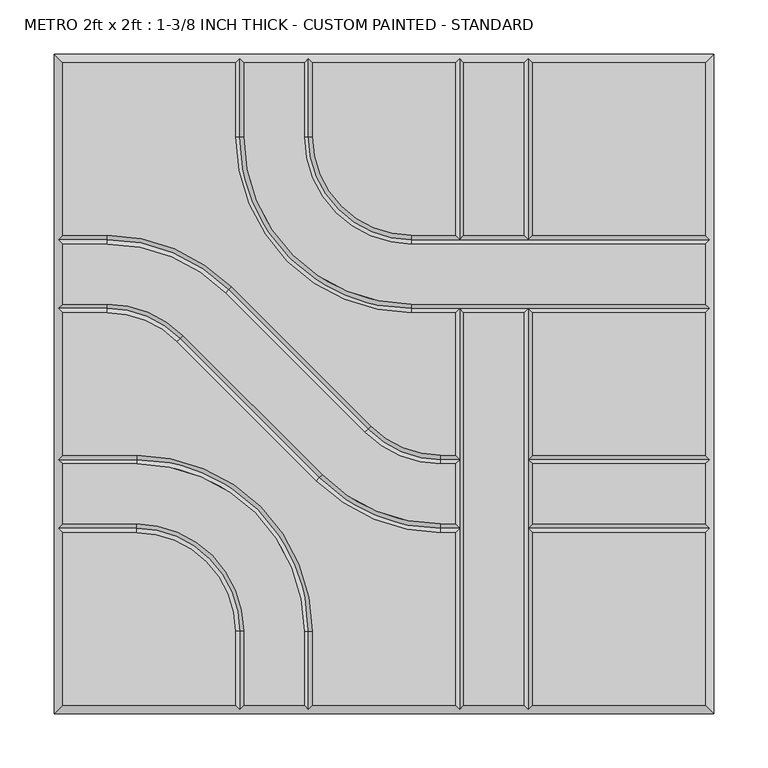
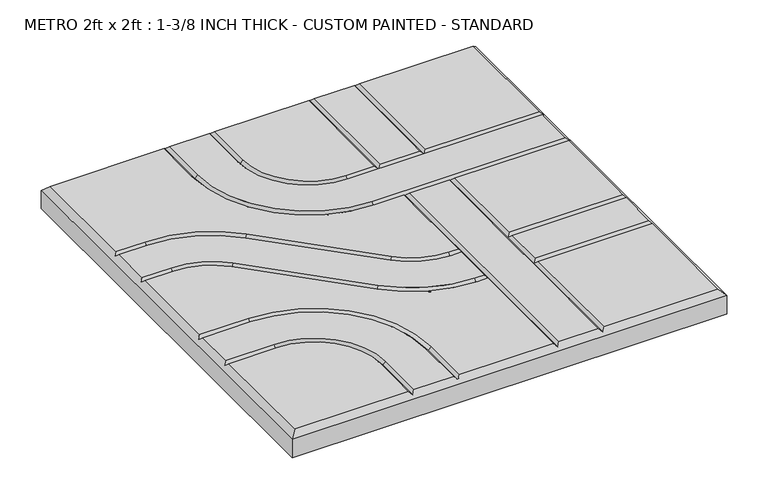
"""IFC4 building model written with IfcOpenShell, lengths in millimetres: proxy geometry, METRO 2ft x 2ft : 1-3/8 INCH THICK - CUSTOM PAINTED - STANDARD."""

from ifc_helpers import new_model, si_unit, frame, origin, place, context, project, spatial, polyline, circle_curve, source, transform, mapped, element, save
from ifc_brep_helpers import plane_surface, revolved_surface, advanced_brep


def metro_2ft_x_2ft_1_3_8_inch_thick_custom_painted_standard_177d9f46(model_context):
    return source(origin(), model_context, "Body", "AdvancedBrep", [
        advanced_brep(
        [(-296.799, 296.799, 34.925), (-296.799, 137.3505125, 34.925), (-255.8081898, 137.3505125, 34.925), (-140.7286116, 89.6843987, 34.925), (-11.9143433, -39.124488, 34.925), (52.607449, -65.8495, 34.925), (65.8495, -65.8495, 34.925), (65.8495, 65.8494982, 34.925), (25.3995376, 65.8494982, 34.925), (-137.3509624, 228.5999982, 34.925), (-137.3509624, 296.799, 34.925), (296.799, 137.3504983, 34.925), (296.799, 296.799, 34.925), (137.3504989, 296.799, 34.925), (137.3504989, 137.3504983, 34.925), (-296.799, -137.3504992, 34.925), (-296.799, -296.799, 34.925), (-137.3505299, -296.799, 34.925), (-137.3505299, -228.5999992, 34.925), (-228.6000299, -137.3504992, 34.925), (137.3505, -296.799, 34.925), (296.799, -296.799, 34.925), (296.799, -137.3505, 34.925), (137.3505, -137.3505, 34.925), (52.607449, -73.8505, 34.925), (-17.5717865, -44.7821676, 34.925), (-146.3860548, 84.0267191, 34.925), (-255.8081898, 129.3495125, 34.925), (-296.799, 129.3495125, 34.925), (-296.799, 73.8505125, 34.925), (-255.8074396, 73.8505125, 34.925), (-185.6278585, 44.7818346, 34.925), (-56.8157432, -84.0261678, 34.925), (52.6069307, -129.3495, 34.925), (65.8495, -129.3495, 34.925), (65.8495, -73.8505, 34.925), (52.6069307, -137.3505, 34.925), (-62.4732142, -89.6838195, 34.925), (-191.2853295, 39.1241829, 34.925), (-255.8074396, 65.8495125, 34.925), (-296.799, 65.8495125, 34.925), (-296.799, -65.8494992, 34.925), (-228.6000171, -65.8494992, 34.925), (-65.8495171, -228.5999992, 34.925), (-65.8495171, -296.799, 34.925), (65.8495, -296.799, 34.925), (65.8495, -137.3505, 34.925), (-129.3495299, -228.5999992, 34.925), (-129.3495299, -296.799, 34.925), (-73.8505171, -296.799, 34.925), (-73.8505171, -228.5999992, 34.925), (-228.6000171, -73.8504992, 34.925), (-296.799, -73.8504992, 34.925), (-296.799, -129.3494992, 34.925), (-228.6000299, -129.3494992, 34.925), (-129.3499624, 296.799, 34.925), (-129.3499624, 228.5999982, 34.925), (25.3995376, 73.8504982, 34.925), (296.799, 73.8504982, 34.925), (296.799, 129.3494983, 34.925), (25.3995504, 129.3494983, 34.925), (-73.8509496, 228.5999983, 34.925), (-73.8509496, 296.799, 34.925), (-65.8499496, 296.799, 34.925), (-65.8499496, 228.5999983, 34.925), (25.3995504, 137.3504983, 34.925), (65.8494989, 137.3504983, 34.925), (65.8494989, 296.799, 34.925), (73.8504989, 296.799, 34.925), (73.8504989, 137.3504983, 34.925), (129.3494989, 137.3504983, 34.925), (129.3494989, 296.799, 34.925), (73.8505, 65.8494982, 34.925), (73.8505, -296.799, 34.925), (129.3495, -296.799, 34.925), (129.3495, 65.8494982, 34.925), (296.799, 65.8494982, 34.925), (137.3505, 65.8494982, 34.925), (137.3505, -65.8495, 34.925), (296.799, -65.8495, 34.925), (137.3505, -129.3495, 34.925), (296.799, -129.3495, 34.925), (296.799, -73.8505, 34.925), (137.3505, -73.8505, 34.925), (-304.8, 304.8, 0.0), (304.8, 304.8, 0.0), (304.8, -304.8, 0.0), (-304.8, -304.8, 0.0), (-304.8, -304.8, 26.924), (-304.8, 304.8, 26.924), (304.8, -304.8, 26.924), (304.8, 304.8, 26.924), (-133.3504624, 300.7995, 30.9245), (-69.8504496, 300.7995, 30.9245), (69.8499989, 300.7995, 30.9245), (133.3499989, 300.7995, 30.9245), (-300.7995, -133.3499992, 30.9245), (-300.7995, -69.8499992, 30.9245), (-300.7995, 69.8500125, 30.9245), (-300.7995, 133.3500125, 30.9245), (133.35, -300.7995, 30.9245), (69.85, -300.7995, 30.9245), (-69.8500171, -300.7995, 30.9245), (-133.3500299, -300.7995, 30.9245), (300.7995, 133.3499983, 30.9245), (300.7995, 69.8499982, 30.9245), (300.7995, -69.85, 30.9245), (300.7995, -133.35, 30.9245), (69.85, -69.85, 30.9245), (52.607449, -69.85, 30.9245), (-14.7430649, -41.9533278, 30.9245), (-143.5573332, 86.8555589, 30.9245), (-255.8081898, 133.3500125, 30.9245), (69.85, -133.35, 30.9245), (52.6069307, -133.35, 30.9245), (-59.6444787, -86.8549936, 30.9245), (-188.456594, 41.9530087, 30.9245), (-255.8074396, 69.8500125, 30.9245), (-133.3500299, -228.5999992, 30.9245), (-228.6000299, -133.3499992, 30.9245), (-228.6000171, -69.8499992, 30.9245), (-69.8500171, -228.5999992, 30.9245), (-133.3504624, 228.5999982, 30.9245), (25.3995376, 69.8499982, 30.9245), (69.85, 69.8499982, 30.9245), (133.35, 69.8499982, 30.9245), (-69.8504496, 228.5999983, 30.9245), (25.3995504, 133.3499983, 30.9245), (133.3499989, 133.3499983, 30.9245), (69.8499989, 133.3499983, 30.9245), (133.35, -133.35, 30.9245), (133.35, -69.85, 30.9245)],
        [
            (0, 1),
            (1, 2),
            (2, 3, circle_curve(frame((-255.8081898, -25.3999875, 34.925), z_axis=(0.0, 0.0, -1.0), x_axis=(0.7070920101993013, 0.7071215518652442, 0.0)), 162.7505)),
            (3, 4),
            (4, 5, circle_curve(frame((52.607449, 25.4, 34.925), z_axis=(0.0, 0.0, 1.0), x_axis=(0.0, -1.0, 0.0)), 91.2495)),
            (5, 6),
            (6, 7),
            (7, 8),
            (8, 9, circle_curve(frame((25.3995376, 228.5999982, 34.925), z_axis=(0.0, 0.0, -1.0), x_axis=(-1.0, 0.0, 0.0)), 162.7505)),
            (9, 10),
            (10, 0),
            (11, 12),
            (12, 13),
            (13, 14),
            (14, 11),
            (15, 16),
            (16, 17),
            (17, 18),
            (18, 19, circle_curve(frame((-228.6000299, -228.5999992, 34.925), z_axis=(0.0, 0.0, 1.0), x_axis=(1.0, 0.0, 0.0)), 91.2495)),
            (19, 15),
            (20, 21),
            (21, 22),
            (22, 23),
            (23, 20),
            (24, 25, circle_curve(frame((52.607449, 25.4, 34.925), z_axis=(0.0, 0.0, -1.0), x_axis=(0.0, -1.0, 0.0)), 99.2505)),
            (25, 26),
            (26, 27, circle_curve(frame((-255.8081898, -25.3999875, 34.925), z_axis=(0.0, 0.0, 1.0), x_axis=(0.7070920101993013, 0.7071215518652442, 0.0)), 154.7495)),
            (27, 28),
            (28, 29),
            (29, 30),
            (30, 31, circle_curve(frame((-255.8074396, -25.3999875, 34.925), z_axis=(0.0, 0.0, -1.0), x_axis=(0.7070954919838734, 0.7071180702089884, 0.0)), 99.2505)),
            (31, 32),
            (32, 33, circle_curve(frame((52.6069307, 25.4, 34.925), z_axis=(0.0, 0.0, 1.0), x_axis=(0.0, -1.0, 0.0)), 154.7495)),
            (33, 34),
            (34, 35),
            (35, 24),
            (36, 37, circle_curve(frame((52.6069307, 25.4, 34.925), z_axis=(0.0, 0.0, -1.0), x_axis=(0.0, -1.0, 0.0)), 162.7505)),
            (37, 38),
            (38, 39, circle_curve(frame((-255.8074396, -25.3999875, 34.925), z_axis=(0.0, 0.0, 1.0), x_axis=(0.7070954919838734, 0.7071180702089884, 0.0)), 91.2495)),
            (39, 40),
            (40, 41),
            (41, 42),
            (42, 43, circle_curve(frame((-228.6000171, -228.5999992, 34.925), z_axis=(0.0, 0.0, -1.0), x_axis=(0.0, 1.0, 0.0)), 162.7505)),
            (43, 44),
            (44, 45),
            (45, 46),
            (46, 36),
            (47, 48),
            (48, 49),
            (49, 50),
            (50, 51, circle_curve(frame((-228.6000171, -228.5999992, 34.925), z_axis=(0.0, 0.0, 1.0), x_axis=(0.0, 1.0, 0.0)), 154.7495)),
            (51, 52),
            (52, 53),
            (53, 54),
            (54, 47, circle_curve(frame((-228.6000299, -228.5999992, 34.925), z_axis=(0.0, 0.0, -1.0), x_axis=(1.0, 0.0, 0.0)), 99.2505)),
            (55, 56),
            (56, 57, circle_curve(frame((25.3995376, 228.5999982, 34.925), z_axis=(0.0, 0.0, 1.0), x_axis=(-1.0, 0.0, 0.0)), 154.7495)),
            (57, 58),
            (58, 59),
            (59, 60),
            (60, 61, circle_curve(frame((25.3995504, 228.5999983, 34.925), z_axis=(0.0, 0.0, -1.0), x_axis=(-1.0, 0.0, 0.0)), 99.2505)),
            (61, 62),
            (62, 55),
            (63, 64),
            (64, 65, circle_curve(frame((25.3995504, 228.5999983, 34.925), z_axis=(0.0, 0.0, 1.0), x_axis=(-1.0, 0.0, 0.0)), 91.2495)),
            (65, 66),
            (66, 67),
            (67, 63),
            (68, 69),
            (69, 70),
            (70, 71),
            (71, 68),
            (72, 73),
            (73, 74),
            (74, 75),
            (75, 72),
            (76, 77),
            (77, 78),
            (78, 79),
            (79, 76),
            (80, 81),
            (81, 82),
            (82, 83),
            (83, 80),
            (84, 85),
            (85, 86),
            (86, 87),
            (87, 84),
            (87, 88),
            (88, 89),
            (89, 84),
            (86, 90),
            (90, 88),
            (85, 91),
            (91, 90),
            (89, 91),
            (89, 0),
            (10, 92),
            (92, 55),
            (62, 93),
            (93, 63),
            (67, 94),
            (94, 68),
            (71, 95),
            (95, 13),
            (12, 91),
            (88, 16),
            (15, 96),
            (96, 53),
            (52, 97),
            (97, 41),
            (40, 98),
            (98, 29),
            (28, 99),
            (99, 1),
            (90, 21),
            (20, 100),
            (100, 74),
            (73, 101),
            (101, 45),
            (44, 102),
            (102, 49),
            (48, 103),
            (103, 17),
            (11, 104),
            (104, 59),
            (58, 105),
            (105, 76),
            (79, 106),
            (106, 82),
            (81, 107),
            (107, 22),
            (108, 109),
            (109, 24),
            (35, 108),
            (108, 6),
            (5, 109),
            (109, 110, circle_curve(frame((52.607449, 25.4, 30.9245), z_axis=(0.0, 0.0, -1.0), x_axis=(0.0, -1.0, 0.0)), 95.25)),
            (110, 25),
            (4, 110),
            (110, 111),
            (111, 26),
            (3, 111),
            (111, 112, circle_curve(frame((-255.8081898, -25.3999875, 30.9245), z_axis=(0.0, 0.0, 1.0), x_axis=(0.7070920101993013, 0.7071215518652442, 0.0)), 158.75)),
            (112, 27),
            (2, 112),
            (112, 99),
            (113, 114),
            (114, 36),
            (46, 113),
            (113, 34),
            (33, 114),
            (114, 115, circle_curve(frame((52.6069307, 25.4, 30.9245), z_axis=(0.0, 0.0, -1.0), x_axis=(0.0, -1.0, 0.0)), 158.75)),
            (115, 37),
            (32, 115),
            (115, 116),
            (116, 38),
            (31, 116),
            (116, 117, circle_curve(frame((-255.8074396, -25.3999875, 30.9245), z_axis=(0.0, 0.0, 1.0), x_axis=(0.7070954919838734, 0.7071180702089884, 0.0)), 95.25)),
            (117, 39),
            (30, 117),
            (117, 98),
            (118, 18),
            (103, 118),
            (47, 118),
            (118, 119, circle_curve(frame((-228.6000299, -228.5999992, 30.9245), z_axis=(0.0, 0.0, 1.0), x_axis=(1.0, 0.0, 0.0)), 95.25)),
            (119, 19),
            (54, 119),
            (119, 96),
            (120, 42),
            (97, 120),
            (51, 120),
            (120, 121, circle_curve(frame((-228.6000171, -228.5999992, 30.9245), z_axis=(0.0, 0.0, -1.0), x_axis=(0.0, 1.0, 0.0)), 158.75)),
            (121, 43),
            (50, 121),
            (121, 102),
            (122, 56),
            (92, 122),
            (9, 122),
            (122, 123, circle_curve(frame((25.3995376, 228.5999982, 30.9245), z_axis=(0.0, 0.0, 1.0), x_axis=(-1.0, 0.0, 0.0)), 158.75)),
            (123, 57),
            (8, 123),
            (123, 124),
            (124, 125),
            (125, 105),
            (125, 77),
            (7, 124),
            (124, 72),
            (75, 125),
            (126, 64),
            (93, 126),
            (61, 126),
            (126, 127, circle_curve(frame((25.3995504, 228.5999983, 30.9245), z_axis=(0.0, 0.0, 1.0), x_axis=(-1.0, 0.0, 0.0)), 95.25)),
            (127, 65),
            (60, 127),
            (14, 128),
            (128, 104),
            (127, 129),
            (129, 66),
            (69, 129),
            (129, 128),
            (128, 70),
            (129, 94),
            (128, 95),
            (108, 124),
            (113, 108),
            (101, 113),
            (100, 130),
            (130, 131),
            (131, 125),
            (23, 130),
            (131, 78),
            (130, 80),
            (83, 131),
            (107, 130),
            (106, 131),
        ],
        [
            plane_surface(frame((-304.8, 304.8, 34.925), z_axis=(0.0, 0.0, 1.0), x_axis=(0.0, -1.0, 0.0))),
            plane_surface(frame((-304.8, 304.8, 0.0), z_axis=(0.0, 0.0, -1.0), x_axis=(0.0, 1.0, 0.0))),
            plane_surface(frame((-304.8, 304.8, 34.925), z_axis=(-1.0, 0.0, 0.0), x_axis=(0.0, 0.0, -1.0))),
            plane_surface(frame((-304.8, -304.8, 34.925), z_axis=(0.0, -1.0, 0.0), x_axis=(0.0, 0.0, -1.0))),
            plane_surface(frame((304.8, -304.8, 34.925), z_axis=(1.0, 0.0, 0.0), x_axis=(0.0, 0.0, -1.0))),
            plane_surface(frame((304.8, 304.8, 34.925), z_axis=(0.0, 1.0, 0.0), x_axis=(0.0, 0.0, -1.0))),
            plane_surface(frame((296.799, 296.799, 34.925), z_axis=(0.0, 0.707106781186547, 0.7071067811865481), x_axis=(-1.0, 0.0, 0.0))),
            plane_surface(frame((-296.799, 296.799, 34.925), z_axis=(-0.707106781186547, 0.0, 0.7071067811865481), x_axis=(0.0, -1.0, 0.0))),
            plane_surface(frame((-296.799, -296.799, 34.925), z_axis=(0.0, -0.707106781186547, 0.7071067811865481), x_axis=(1.0, 0.0, 0.0))),
            plane_surface(frame((296.799, -296.799, 34.925), z_axis=(0.707106781186547, 0.0, 0.7071067811865481), x_axis=(0.0, 1.0, 0.0))),
            plane_surface(frame((69.85, -73.8505, 34.925), z_axis=(0.0, 0.7071067811865469, 0.7071067811865482), x_axis=(-1.0, 0.0, 0.0))),
            plane_surface(frame((69.85, -69.85, 30.9245), z_axis=(0.0, -0.7071067811865469, 0.7071067811865482), x_axis=(-1.0, 0.0, 0.0))),
            revolved_surface(polyline([(52.607449, -69.85, 30.9245), (52.607449, -73.8505, 34.925)]), (52.607449, 25.4, 34.925), (0.0, 0.0, -1.0)),
            revolved_surface(polyline([(52.607449, -65.8495, 34.925), (52.607449, -69.85, 30.9245)]), (52.607449, 25.4, 34.925), (0.0, 0.0, -1.0)),
            plane_surface(frame((-17.5717865, -44.7821676, 34.925), z_axis=(0.49998955533475287, 0.5000104444470687, 0.7071067811865481), x_axis=(-0.7071215518652442, 0.7070920101993012, 0.0))),
            plane_surface(frame((-14.7430649, -41.9533278, 30.9245), z_axis=(-0.49998955533475287, -0.5000104444470689, 0.7071067811865483), x_axis=(-0.7071215518652444, 0.7070920101993012, 0.0))),
            revolved_surface(polyline([(-143.5573332, 86.8555589, 30.9245), (-146.3860548, 84.0267191, 34.925)]), (-255.8081898, -25.3999875, 34.925), (0.0, 0.0, 1.0)),
            revolved_surface(polyline([(-140.7286116, 89.6843987, 34.925), (-143.5573332, 86.8555589, 30.9245)]), (-255.8081898, -25.3999875, 34.925), (0.0, 0.0, 1.0)),
            plane_surface(frame((-255.8081898, 129.3495125, 34.925), z_axis=(0.0, 0.7071067811865469, 0.7071067811865482), x_axis=(-1.0, 0.0, 0.0))),
            plane_surface(frame((-255.8081898, 133.3500125, 30.9245), z_axis=(0.0, -0.7071067811865469, 0.7071067811865482), x_axis=(-1.0, 0.0, 0.0))),
            plane_surface(frame((69.85, -137.3505, 34.925), z_axis=(0.0, 0.7071067811865471, 0.707106781186548), x_axis=(-1.0, 0.0, 0.0))),
            plane_surface(frame((69.85, -133.35, 30.9245), z_axis=(0.0, -0.7071067811865471, 0.707106781186548), x_axis=(-1.0, 0.0, 0.0))),
            revolved_surface(polyline([(52.6069307, -133.35, 30.9245), (52.6069307, -137.3505, 34.925)]), (52.6069307, 25.4, 34.925), (0.0, 0.0, -1.0)),
            revolved_surface(polyline([(52.6069307, -129.3495, 34.925), (52.6069307, -133.35, 30.9245)]), (52.6069307, 25.4, 34.925), (0.0, 0.0, -1.0)),
            plane_surface(frame((-62.4732142, -89.6838195, 34.925), z_axis=(0.49999201732823445, 0.5000079825443209, 0.7071067811865479), x_axis=(-0.7071180702089888, 0.7070954919838731, 0.0))),
            plane_surface(frame((-59.6444787, -86.8549936, 30.9245), z_axis=(-0.49999201732823445, -0.5000079825443208, 0.707106781186548), x_axis=(-0.7071180702089888, 0.7070954919838732, 0.0))),
            revolved_surface(polyline([(-188.456594, 41.9530087, 30.9245), (-191.2853295, 39.1241829, 34.925)]), (-255.8074396, -25.3999875, 34.925), (0.0, 0.0, 1.0)),
            revolved_surface(polyline([(-185.6278585, 44.7818346, 34.925), (-188.456594, 41.9530087, 30.9245)]), (-255.8074396, -25.3999875, 34.925), (0.0, 0.0, 1.0)),
            plane_surface(frame((-255.8074396, 65.8495125, 34.925), z_axis=(0.0, 0.7071067811865472, 0.7071067811865479), x_axis=(-1.0, 0.0, 0.0))),
            plane_surface(frame((-255.8074396, 69.8500125, 30.9245), z_axis=(0.0, -0.7071067811865472, 0.7071067811865479), x_axis=(-1.0, 0.0, 0.0))),
            plane_surface(frame((-137.3505299, -304.8, 34.925), z_axis=(0.707106781186547, 0.0, 0.7071067811865481), x_axis=(0.0, 1.0, 0.0))),
            plane_surface(frame((-133.3500299, -304.8, 30.9245), z_axis=(-0.707106781186547, 0.0, 0.7071067811865481), x_axis=(0.0, 1.0, 0.0))),
            revolved_surface(polyline([(-133.3500299, -228.5999992, 30.9245), (-137.3505299, -228.5999992, 34.925)]), (-228.6000299, -228.5999992, 34.925), (0.0, 0.0, 1.0)),
            revolved_surface(polyline([(-129.3495299, -228.5999992, 34.925), (-133.3500299, -228.5999992, 30.9245)]), (-228.6000299, -228.5999992, 34.925), (0.0, 0.0, 1.0)),
            plane_surface(frame((-228.6000299, -137.3504992, 34.925), z_axis=(0.0, 0.707106781186547, 0.7071067811865481), x_axis=(-1.0, 0.0, 0.0))),
            plane_surface(frame((-228.6000299, -133.3499992, 30.9245), z_axis=(0.0, -0.707106781186547, 0.7071067811865481), x_axis=(-1.0, 0.0, 0.0))),
            plane_surface(frame((-304.8, -65.8494992, 34.925), z_axis=(0.0, -0.707106781186547, 0.7071067811865481), x_axis=(1.0, 0.0, 0.0))),
            plane_surface(frame((-304.8, -69.8499992, 30.9245), z_axis=(0.0, 0.707106781186547, 0.7071067811865481), x_axis=(1.0, 0.0, 0.0))),
            revolved_surface(polyline([(-228.6000171, -69.8499992, 30.9245), (-228.6000171, -65.8494992, 34.925)]), (-228.6000171, -228.5999992, 34.925), (0.0, 0.0, -1.0)),
            revolved_surface(polyline([(-228.6000171, -73.8504992, 34.925), (-228.6000171, -69.8499992, 30.9245)]), (-228.6000171, -228.5999992, 34.925), (0.0, 0.0, -1.0)),
            plane_surface(frame((-65.8495171, -228.5999992, 34.925), z_axis=(-0.707106781186547, 0.0, 0.7071067811865481), x_axis=(0.0, -1.0, 0.0))),
            plane_surface(frame((-69.8500171, -228.5999992, 30.9245), z_axis=(0.707106781186547, 0.0, 0.7071067811865481), x_axis=(0.0, -1.0, 0.0))),
            plane_surface(frame((-129.3499624, 304.8, 34.925), z_axis=(-0.707106781186547, 0.0, 0.7071067811865481), x_axis=(0.0, -1.0, 0.0))),
            plane_surface(frame((-133.3504624, 304.8, 30.9245), z_axis=(0.707106781186547, 0.0, 0.7071067811865481), x_axis=(0.0, -1.0, 0.0))),
            revolved_surface(polyline([(-133.3504624, 228.5999982, 30.9245), (-129.3499624, 228.5999982, 34.925)]), (25.3995376, 228.5999982, 34.925), (0.0, 0.0, 1.0)),
            revolved_surface(polyline([(-137.3509624, 228.5999982, 34.925), (-133.3504624, 228.5999982, 30.9245)]), (25.3995376, 228.5999982, 34.925), (0.0, 0.0, 1.0)),
            plane_surface(frame((25.3995376, 73.8504982, 34.925), z_axis=(0.0, -0.707106781186547, 0.7071067811865481), x_axis=(1.0, 0.0, 0.0))),
            plane_surface(frame((25.3995376, 69.8499982, 30.9245), z_axis=(0.0, 0.707106781186547, 0.7071067811865481), x_axis=(1.0, 0.0, 0.0))),
            plane_surface(frame((-65.8499496, 304.8, 34.925), z_axis=(-0.707106781186547, 0.0, 0.7071067811865481), x_axis=(0.0, -1.0, 0.0))),
            plane_surface(frame((-69.8504496, 304.8, 30.9245), z_axis=(0.707106781186547, 0.0, 0.7071067811865481), x_axis=(0.0, -1.0, 0.0))),
            revolved_surface(polyline([(-69.8504496, 228.5999983, 30.9245), (-65.8499496, 228.5999983, 34.925)]), (25.3995504, 228.5999983, 34.925), (0.0, 0.0, 1.0)),
            revolved_surface(polyline([(-73.8509496, 228.5999983, 34.925), (-69.8504496, 228.5999983, 30.9245)]), (25.3995504, 228.5999983, 34.925), (0.0, 0.0, 1.0)),
            plane_surface(frame((25.3995504, 137.3504983, 34.925), z_axis=(0.0, -0.707106781186547, 0.7071067811865481), x_axis=(1.0, 0.0, 0.0))),
            plane_surface(frame((25.3995504, 133.3499983, 30.9245), z_axis=(0.0, 0.707106781186547, 0.7071067811865481), x_axis=(1.0, 0.0, 0.0))),
            plane_surface(frame((65.8494989, 133.35, 34.925), z_axis=(0.707106781186547, 0.0, 0.7071067811865481), x_axis=(0.0, 1.0, 0.0))),
            plane_surface(frame((69.8499989, 133.35, 30.9245), z_axis=(-0.707106781186547, 0.0, 0.7071067811865481), x_axis=(0.0, 1.0, 0.0))),
            plane_surface(frame((129.3494989, 133.35, 34.925), z_axis=(0.707106781186547, 0.0, 0.7071067811865481), x_axis=(0.0, 1.0, 0.0))),
            plane_surface(frame((133.3499989, 133.35, 30.9245), z_axis=(-0.707106781186547, 0.0, 0.7071067811865481), x_axis=(0.0, 1.0, 0.0))),
            plane_surface(frame((65.8495, -304.8, 34.925), z_axis=(0.707106781186547, 0.0, 0.7071067811865481), x_axis=(0.0, 1.0, 0.0))),
            plane_surface(frame((69.85, -304.8, 30.9245), z_axis=(-0.707106781186547, 0.0, 0.7071067811865481), x_axis=(0.0, 1.0, 0.0))),
            plane_surface(frame((129.3495, -304.8, 34.925), z_axis=(0.707106781186547, 0.0, 0.7071067811865481), x_axis=(0.0, 1.0, 0.0))),
            plane_surface(frame((133.35, -304.8, 30.9245), z_axis=(-0.707106781186547, 0.0, 0.7071067811865481), x_axis=(0.0, 1.0, 0.0))),
            plane_surface(frame((304.8, -137.3505, 34.925), z_axis=(0.0, 0.707106781186547, 0.7071067811865481), x_axis=(-1.0, 0.0, 0.0))),
            plane_surface(frame((304.8, -133.35, 30.9245), z_axis=(0.0, -0.707106781186547, 0.7071067811865481), x_axis=(-1.0, 0.0, 0.0))),
            plane_surface(frame((304.8, -73.8505, 34.925), z_axis=(0.0, 0.707106781186547, 0.7071067811865481), x_axis=(-1.0, 0.0, 0.0))),
            plane_surface(frame((304.8, -69.85, 30.9245), z_axis=(0.0, -0.707106781186547, 0.7071067811865481), x_axis=(-1.0, 0.0, 0.0))),
        ],
        [
            (0, [[1, 2, 3, 4, 5, 6, 7, 8, 9, 10, 11]]),
            (0, [[12, 13, 14, 15]]),
            (0, [[16, 17, 18, 19, 20]]),
            (0, [[21, 22, 23, 24]]),
            (0, [[25, 26, 27, 28, 29, 30, 31, 32, 33, 34, 35, 36]]),
            (0, [[37, 38, 39, 40, 41, 42, 43, 44, 45, 46, 47]]),
            (0, [[48, 49, 50, 51, 52, 53, 54, 55]]),
            (0, [[56, 57, 58, 59, 60, 61, 62, 63]]),
            (0, [[64, 65, 66, 67, 68]]),
            (0, [[69, 70, 71, 72]]),
            (0, [[73, 74, 75, 76]]),
            (0, [[77, 78, 79, 80]]),
            (0, [[81, 82, 83, 84]]),
            (1, [[85, 86, 87, 88]]),
            (2, [[-88, 89, 90, 91]]),
            (3, [[-87, 92, 93, -89]]),
            (4, [[-86, 94, 95, -92]]),
            (5, [[-85, -91, 96, -94]]),
            (6, [[97, -11, 98, 99, -63, 100, 101, -68, 102, 103, -72, 104, 105, -13, 106, -96]]),
            (7, [[-97, -90, 107, -16, 108, 109, -53, 110, 111, -41, 112, 113, -29, 114, 115, -1]]),
            (8, [[-107, -93, 116, -21, 117, 118, -74, 119, 120, -45, 121, 122, -49, 123, 124, -17]]),
            (9, [[-106, -12, 125, 126, -59, 127, 128, -80, 129, 130, -82, 131, 132, -22, -116, -95]]),
            (10, [[133, 134, -36, 135]]),
            (11, [[-133, 136, -6, 137]]),
            (12, [[-134, 138, 139, -25]]),
            (13, [[-137, -5, 140, -138]]),
            (14, [[-139, 141, 142, -26]]),
            (15, [[-140, -4, 143, -141]]),
            (16, [[-142, 144, 145, -27]]),
            (17, [[-143, -3, 146, -144]]),
            (18, [[-145, 147, -114, -28]]),
            (19, [[-146, -2, -115, -147]]),
            (20, [[148, 149, -47, 150]]),
            (21, [[-148, 151, -34, 152]]),
            (22, [[-149, 153, 154, -37]]),
            (23, [[-152, -33, 155, -153]]),
            (24, [[-154, 156, 157, -38]]),
            (25, [[-155, -32, 158, -156]]),
            (26, [[-157, 159, 160, -39]]),
            (27, [[-158, -31, 161, -159]]),
            (28, [[-160, 162, -112, -40]]),
            (29, [[-161, -30, -113, -162]]),
            (30, [[163, -18, -124, 164]]),
            (31, [[165, -164, -123, -48]]),
            (32, [[-163, 166, 167, -19]]),
            (33, [[-165, -55, 168, -166]]),
            (34, [[-167, 169, -108, -20]]),
            (35, [[-168, -54, -109, -169]]),
            (36, [[170, -42, -111, 171]]),
            (37, [[172, -171, -110, -52]]),
            (38, [[-170, 173, 174, -43]]),
            (39, [[-172, -51, 175, -173]]),
            (40, [[-174, 176, -121, -44]]),
            (41, [[-175, -50, -122, -176]]),
            (42, [[177, -56, -99, 178]]),
            (43, [[179, -178, -98, -10]]),
            (44, [[-177, 180, 181, -57]]),
            (45, [[-179, -9, 182, -180]]),
            (46, [[-181, 183, 184, 185, -127, -58]]),
            (47, [[-128, -185, 186, -77]]),
            (47, [[-182, -8, 187, -183]]),
            (47, [[188, -76, 189, -184]]),
            (48, [[190, -64, -101, 191]]),
            (49, [[192, -191, -100, -62]]),
            (50, [[-190, 193, 194, -65]]),
            (51, [[-192, -61, 195, -193]]),
            (52, [[-125, -15, 196, 197]]),
            (52, [[-194, 198, 199, -66]]),
            (52, [[200, 201, 202, -70]]),
            (53, [[-195, -60, -126, -197, -201, -198]]),
            (54, [[203, -102, -67, -199]]),
            (55, [[-203, -200, -69, -103]]),
            (56, [[204, -104, -71, -202]]),
            (57, [[-204, -196, -14, -105]]),
            (58, [[205, -187, -7, -136]]),
            (58, [[206, -135, -35, -151]]),
            (58, [[207, -150, -46, -120]]),
            (59, [[-205, -206, -207, -119, -73, -188]]),
            (60, [[-75, -118, 208, 209, 210, -189]]),
            (61, [[-117, -24, 211, -208]]),
            (61, [[-186, -210, 212, -78]]),
            (61, [[213, -84, 214, -209]]),
            (62, [[215, -211, -23, -132]]),
            (63, [[-215, -131, -81, -213]]),
            (64, [[216, -214, -83, -130]]),
            (65, [[-216, -129, -79, -212]]),
        ],
    ),
    ])


if __name__ == "__main__":
    model = new_model("IFC4")
    model_context = context("Model", 3, world=origin())
    ifc_project = project(units=[si_unit("LENGTHUNIT", "METRE", prefix="MILLI")], contexts=[model_context])
    site = spatial("IfcSite", under=ifc_project)
    building = spatial("IfcBuilding", under=site)
    placement = place(None, origin())
    metro_2ft_x_2ft_1_3_8_inch_thick_custom_painted_standard_shape = metro_2ft_x_2ft_1_3_8_inch_thick_custom_painted_standard_177d9f46(model_context)
    element("IfcBuildingElementProxy", 1, Name="METRO 2ft x 2ft : 1-3/8 INCH THICK - CUSTOM PAINTED - STANDARD", ObjectType="METRO 2ft x 2ft : 1-3/8 INCH THICK - CUSTOM PAINTED - STANDARD", at=placement, inside=building, context=model_context, shape_type="MappedRepresentation", body=[
        mapped(metro_2ft_x_2ft_1_3_8_inch_thick_custom_painted_standard_shape, transform((0.0, 0.0, 0.0), x_axis=(1.0, 0.0, 0.0), y_axis=(0.0, 1.0, 0.0), z_axis=(0.0, 0.0, 1.0))),
    ])
    save(model, "model.ifc")
